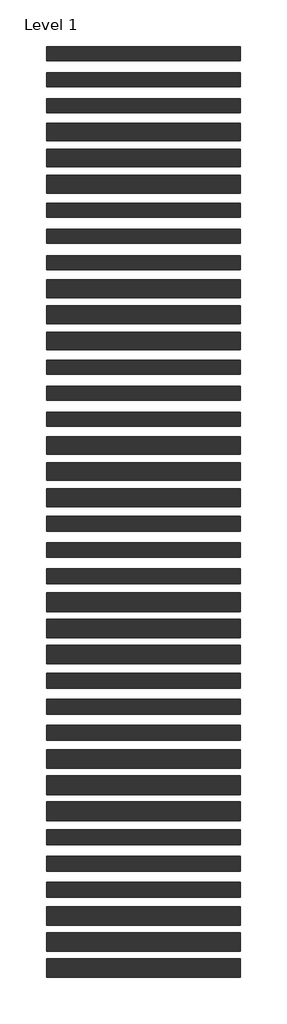
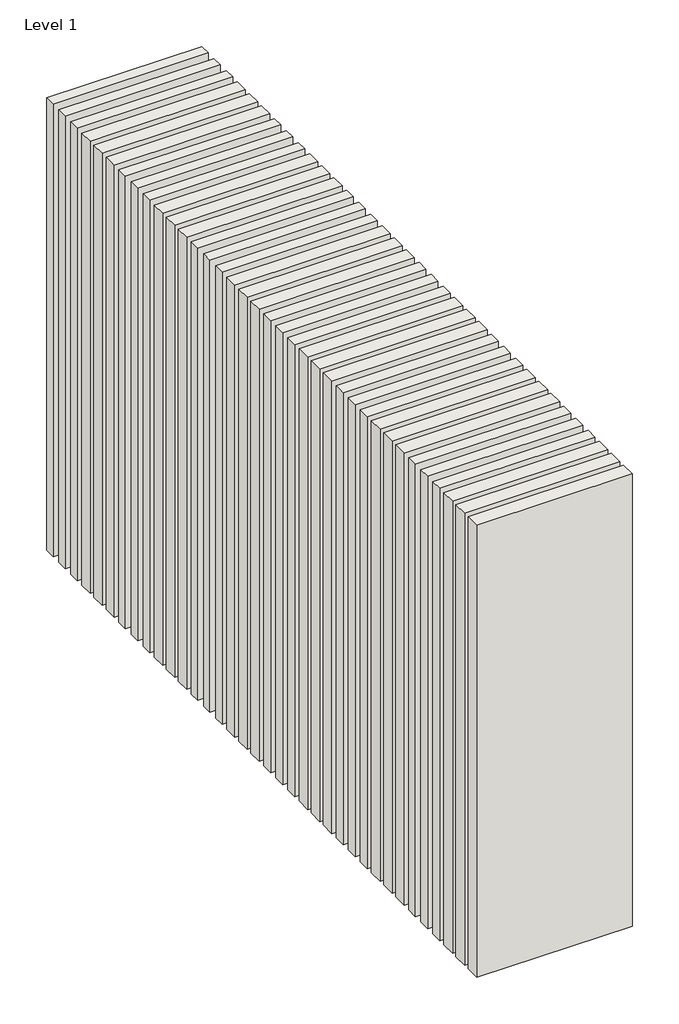
# One storey: 36 walls.
"""IFC4 building model written with IfcOpenShell, lengths in millimetres."""

from ifc_helpers import new_model, si_unit, origin, origin_with_axes, place, context, project, spatial, polyline, outline, extrude, element, save

model = new_model("IFC4")

# Units and contexts
model_context = context("Model", 3, world=origin())
ifc_project = project(units=[si_unit("LENGTHUNIT", "METRE", prefix="MILLI")], contexts=[model_context])

# Site, building, storey
site = spatial("IfcSite", under=ifc_project)
building = spatial("IfcBuilding", under=site)
storey = spatial("IfcBuildingStorey", under=building, Name="Level 1", Elevation=0.0)

# Walls
placement = place(None, origin())
element("IfcWall", 1, at=placement, inside=storey, context=model_context, shape_type="SweptSolid", body=[
    extrude(outline(polyline([(-16904.1464237, 3642.6542935), (-19504.1464237, 3642.6542935), (-19504.1464237, 3830.1542935), (-16904.1464237, 3830.1542935), (-16904.1464237, 3642.6542935)])), origin_with_axes(), (0.0, 0.0, 1.0), 8000.0),
])
element("IfcWall", 2, at=placement, inside=storey, context=model_context, shape_type="SweptSolid", body=[
    extrude(outline(polyline([(-16904.1464237, 3292.6542935), (-19504.1464237, 3292.6542935), (-19504.1464237, 3480.1542935), (-16904.1464237, 3480.1542935), (-16904.1464237, 3292.6542935)])), origin_with_axes(), (0.0, 0.0, 1.0), 8000.0),
])
element("IfcWall", 3, at=placement, inside=storey, context=model_context, shape_type="SweptSolid", body=[
    extrude(outline(polyline([(-16904.1464237, 2942.6542935), (-19504.1464237, 2942.6542935), (-19504.1464237, 3130.1542935), (-16904.1464237, 3130.1542935), (-16904.1464237, 2942.6542935)])), origin_with_axes(), (0.0, 0.0, 1.0), 8000.0),
])
element("IfcWall", 4, at=placement, inside=storey, context=model_context, shape_type="SweptSolid", body=[
    extrude(outline(polyline([(-16904.1464237, 2567.6542935), (-19504.1464237, 2567.6542935), (-19504.1464237, 2805.1542935), (-16904.1464237, 2805.1542935), (-16904.1464237, 2567.6542935)])), origin_with_axes(), (0.0, 0.0, 1.0), 8000.0),
])
element("IfcWall", 5, at=placement, inside=storey, context=model_context, shape_type="SweptSolid", body=[
    extrude(outline(polyline([(-16904.1464237, 2217.6542935), (-19504.1464237, 2217.6542935), (-19504.1464237, 2455.1542935), (-16904.1464237, 2455.1542935), (-16904.1464237, 2217.6542935)])), origin_with_axes(), (0.0, 0.0, 1.0), 8000.0),
])
element("IfcWall", 6, at=placement, inside=storey, context=model_context, shape_type="SweptSolid", body=[
    extrude(outline(polyline([(-16904.1464237, 1867.6542935), (-19504.1464237, 1867.6542935), (-19504.1464237, 2105.1542935), (-16904.1464237, 2105.1542935), (-16904.1464237, 1867.6542935)])), origin_with_axes(), (0.0, 0.0, 1.0), 8000.0),
])
element("IfcWall", 7, at=placement, inside=storey, context=model_context, shape_type="SweptSolid", body=[
    extrude(outline(polyline([(-16904.1464237, 1542.6542935), (-19504.1464237, 1542.6542935), (-19504.1464237, 1730.1542935), (-16904.1464237, 1730.1542935), (-16904.1464237, 1542.6542935)])), origin_with_axes(), (0.0, 0.0, 1.0), 8000.0),
])
element("IfcWall", 8, at=placement, inside=storey, context=model_context, shape_type="SweptSolid", body=[
    extrude(outline(polyline([(-16904.1464237, 1192.6542935), (-19504.1464237, 1192.6542935), (-19504.1464237, 1380.1542935), (-16904.1464237, 1380.1542935), (-16904.1464237, 1192.6542935)])), origin_with_axes(), (0.0, 0.0, 1.0), 8000.0),
])
element("IfcWall", 9, at=placement, inside=storey, context=model_context, shape_type="SweptSolid", body=[
    extrude(outline(polyline([(-16904.1464237, 842.6542935), (-19504.1464237, 842.6542935), (-19504.1464237, 1030.1542935), (-16904.1464237, 1030.1542935), (-16904.1464237, 842.6542935)])), origin_with_axes(), (0.0, 0.0, 1.0), 8000.0),
])
element("IfcWall", 10, at=placement, inside=storey, context=model_context, shape_type="SweptSolid", body=[
    extrude(outline(polyline([(-16904.1464237, 467.6542935), (-19504.1464237, 467.6542935), (-19504.1464237, 705.1542935), (-16904.1464237, 705.1542935), (-16904.1464237, 467.6542935)])), origin_with_axes(), (0.0, 0.0, 1.0), 8000.0),
])
element("IfcWall", 11, at=placement, inside=storey, context=model_context, shape_type="SweptSolid", body=[
    extrude(outline(polyline([(-16904.1464237, 117.6542935), (-19504.1464237, 117.6542935), (-19504.1464237, 355.1542935), (-16904.1464237, 355.1542935), (-16904.1464237, 117.6542935)])), origin_with_axes(), (0.0, 0.0, 1.0), 8000.0),
])
element("IfcWall", 12, at=placement, inside=storey, context=model_context, shape_type="SweptSolid", body=[
    extrude(outline(polyline([(-16904.1464237, -232.3457065), (-19504.1464237, -232.3457065), (-19504.1464237, 5.1542935), (-16904.1464237, 5.1542935), (-16904.1464237, -232.3457065)])), origin_with_axes(), (0.0, 0.0, 1.0), 8000.0),
])
element("IfcWall", 13, at=placement, inside=storey, context=model_context, shape_type="SweptSolid", body=[
    extrude(outline(polyline([(-16904.1464237, -557.3457065), (-19504.1464237, -557.3457065), (-19504.1464237, -369.8457065), (-16904.1464237, -369.8457065), (-16904.1464237, -557.3457065)])), origin_with_axes(), (0.0, 0.0, 1.0), 8000.0),
])
element("IfcWall", 14, at=placement, inside=storey, context=model_context, shape_type="SweptSolid", body=[
    extrude(outline(polyline([(-16904.1464237, -907.3457065), (-19504.1464237, -907.3457065), (-19504.1464237, -719.8457065), (-16904.1464237, -719.8457065), (-16904.1464237, -907.3457065)])), origin_with_axes(), (0.0, 0.0, 1.0), 8000.0),
])
element("IfcWall", 15, at=placement, inside=storey, context=model_context, shape_type="SweptSolid", body=[
    extrude(outline(polyline([(-16904.1464237, -1257.3457065), (-19504.1464237, -1257.3457065), (-19504.1464237, -1069.8457065), (-16904.1464237, -1069.8457065), (-16904.1464237, -1257.3457065)])), origin_with_axes(), (0.0, 0.0, 1.0), 8000.0),
])
element("IfcWall", 16, at=placement, inside=storey, context=model_context, shape_type="SweptSolid", body=[
    extrude(outline(polyline([(-16904.1464237, -1632.3457065), (-19504.1464237, -1632.3457065), (-19504.1464237, -1394.8457065), (-16904.1464237, -1394.8457065), (-16904.1464237, -1632.3457065)])), origin_with_axes(), (0.0, 0.0, 1.0), 8000.0),
])
element("IfcWall", 17, at=placement, inside=storey, context=model_context, shape_type="SweptSolid", body=[
    extrude(outline(polyline([(-16904.1464237, -1982.3457065), (-19504.1464237, -1982.3457065), (-19504.1464237, -1744.8457065), (-16904.1464237, -1744.8457065), (-16904.1464237, -1982.3457065)])), origin_with_axes(), (0.0, 0.0, 1.0), 8000.0),
])
element("IfcWall", 18, at=placement, inside=storey, context=model_context, shape_type="SweptSolid", body=[
    extrude(outline(polyline([(-16904.1464237, -2332.3457065), (-19504.1464237, -2332.3457065), (-19504.1464237, -2094.8457065), (-16904.1464237, -2094.8457065), (-16904.1464237, -2332.3457065)])), origin_with_axes(), (0.0, 0.0, 1.0), 8000.0),
])
element("IfcWall", 19, at=placement, inside=storey, context=model_context, shape_type="SweptSolid", body=[
    extrude(outline(polyline([(-16904.1464237, -2663.5957065), (-19504.1464237, -2663.5957065), (-19504.1464237, -2463.5957065), (-16904.1464237, -2463.5957065), (-16904.1464237, -2663.5957065)])), origin_with_axes(), (0.0, 0.0, 1.0), 8000.0),
])
element("IfcWall", 20, at=placement, inside=storey, context=model_context, shape_type="SweptSolid", body=[
    extrude(outline(polyline([(-16904.1464237, -3013.5957065), (-19504.1464237, -3013.5957065), (-19504.1464237, -2813.5957065), (-16904.1464237, -2813.5957065), (-16904.1464237, -3013.5957065)])), origin_with_axes(), (0.0, 0.0, 1.0), 8000.0),
])
element("IfcWall", 21, at=placement, inside=storey, context=model_context, shape_type="SweptSolid", body=[
    extrude(outline(polyline([(-16904.1464237, -3363.5957065), (-19504.1464237, -3363.5957065), (-19504.1464237, -3163.5957065), (-16904.1464237, -3163.5957065), (-16904.1464237, -3363.5957065)])), origin_with_axes(), (0.0, 0.0, 1.0), 8000.0),
])
element("IfcWall", 22, at=placement, inside=storey, context=model_context, shape_type="SweptSolid", body=[
    extrude(outline(polyline([(-16904.1464237, -3738.5957065), (-19504.1464237, -3738.5957065), (-19504.1464237, -3488.5957065), (-16904.1464237, -3488.5957065), (-16904.1464237, -3738.5957065)])), origin_with_axes(), (0.0, 0.0, 1.0), 8000.0),
])
element("IfcWall", 23, at=placement, inside=storey, context=model_context, shape_type="SweptSolid", body=[
    extrude(outline(polyline([(-16904.1464237, -4088.5957065), (-19504.1464237, -4088.5957065), (-19504.1464237, -3838.5957065), (-16904.1464237, -3838.5957065), (-16904.1464237, -4088.5957065)])), origin_with_axes(), (0.0, 0.0, 1.0), 8000.0),
])
element("IfcWall", 24, at=placement, inside=storey, context=model_context, shape_type="SweptSolid", body=[
    extrude(outline(polyline([(-16904.1464237, -4438.5957065), (-19504.1464237, -4438.5957065), (-19504.1464237, -4188.5957065), (-16904.1464237, -4188.5957065), (-16904.1464237, -4438.5957065)])), origin_with_axes(), (0.0, 0.0, 1.0), 8000.0),
])
element("IfcWall", 25, at=placement, inside=storey, context=model_context, shape_type="SweptSolid", body=[
    extrude(outline(polyline([(-16904.1464237, -4763.5957065), (-19504.1464237, -4763.5957065), (-19504.1464237, -4563.5957065), (-16904.1464237, -4563.5957065), (-16904.1464237, -4763.5957065)])), origin_with_axes(), (0.0, 0.0, 1.0), 8000.0),
])
element("IfcWall", 26, at=placement, inside=storey, context=model_context, shape_type="SweptSolid", body=[
    extrude(outline(polyline([(-16904.1464237, -5113.5957065), (-19504.1464237, -5113.5957065), (-19504.1464237, -4913.5957065), (-16904.1464237, -4913.5957065), (-16904.1464237, -5113.5957065)])), origin_with_axes(), (0.0, 0.0, 1.0), 8000.0),
])
element("IfcWall", 27, at=placement, inside=storey, context=model_context, shape_type="SweptSolid", body=[
    extrude(outline(polyline([(-16904.1464237, -5463.5957065), (-19504.1464237, -5463.5957065), (-19504.1464237, -5263.5957065), (-16904.1464237, -5263.5957065), (-16904.1464237, -5463.5957065)])), origin_with_axes(), (0.0, 0.0, 1.0), 8000.0),
])
element("IfcWall", 28, at=placement, inside=storey, context=model_context, shape_type="SweptSolid", body=[
    extrude(outline(polyline([(-16904.1464237, -5838.5957065), (-19504.1464237, -5838.5957065), (-19504.1464237, -5588.5957065), (-16904.1464237, -5588.5957065), (-16904.1464237, -5838.5957065)])), origin_with_axes(), (0.0, 0.0, 1.0), 8000.0),
])
element("IfcWall", 29, at=placement, inside=storey, context=model_context, shape_type="SweptSolid", body=[
    extrude(outline(polyline([(-16904.1464237, -6188.5957065), (-19504.1464237, -6188.5957065), (-19504.1464237, -5938.5957065), (-16904.1464237, -5938.5957065), (-16904.1464237, -6188.5957065)])), origin_with_axes(), (0.0, 0.0, 1.0), 8000.0),
])
element("IfcWall", 30, at=placement, inside=storey, context=model_context, shape_type="SweptSolid", body=[
    extrude(outline(polyline([(-16904.1464237, -6538.5957065), (-19504.1464237, -6538.5957065), (-19504.1464237, -6288.5957065), (-16904.1464237, -6288.5957065), (-16904.1464237, -6538.5957065)])), origin_with_axes(), (0.0, 0.0, 1.0), 8000.0),
])
element("IfcWall", 31, at=placement, inside=storey, context=model_context, shape_type="SweptSolid", body=[
    extrude(outline(polyline([(-16904.1464237, -6863.5957065), (-19504.1464237, -6863.5957065), (-19504.1464237, -6663.5957065), (-16904.1464237, -6663.5957065), (-16904.1464237, -6863.5957065)])), origin_with_axes(), (0.0, 0.0, 1.0), 8000.0),
])
element("IfcWall", 32, at=placement, inside=storey, context=model_context, shape_type="SweptSolid", body=[
    extrude(outline(polyline([(-16904.1464237, -7213.5957065), (-19504.1464237, -7213.5957065), (-19504.1464237, -7013.5957065), (-16904.1464237, -7013.5957065), (-16904.1464237, -7213.5957065)])), origin_with_axes(), (0.0, 0.0, 1.0), 8000.0),
])
element("IfcWall", 33, at=placement, inside=storey, context=model_context, shape_type="SweptSolid", body=[
    extrude(outline(polyline([(-16904.1464237, -7563.5957065), (-19504.1464237, -7563.5957065), (-19504.1464237, -7363.5957065), (-16904.1464237, -7363.5957065), (-16904.1464237, -7563.5957065)])), origin_with_axes(), (0.0, 0.0, 1.0), 8000.0),
])
element("IfcWall", 34, at=placement, inside=storey, context=model_context, shape_type="SweptSolid", body=[
    extrude(outline(polyline([(-16904.1464237, -7938.5957065), (-19504.1464237, -7938.5957065), (-19504.1464237, -7688.5957065), (-16904.1464237, -7688.5957065), (-16904.1464237, -7938.5957065)])), origin_with_axes(), (0.0, 0.0, 1.0), 8000.0),
])
element("IfcWall", 35, at=placement, inside=storey, context=model_context, shape_type="SweptSolid", body=[
    extrude(outline(polyline([(-16904.1464237, -8288.5957065), (-19504.1464237, -8288.5957065), (-19504.1464237, -8038.5957065), (-16904.1464237, -8038.5957065), (-16904.1464237, -8288.5957065)])), origin_with_axes(), (0.0, 0.0, 1.0), 8000.0),
])
element("IfcWall", 36, at=placement, inside=storey, context=model_context, shape_type="SweptSolid", body=[
    extrude(outline(polyline([(-16904.1464237, -8638.5957065), (-19504.1464237, -8638.5957065), (-19504.1464237, -8388.5957065), (-16904.1464237, -8388.5957065), (-16904.1464237, -8638.5957065)])), origin_with_axes(), (0.0, 0.0, 1.0), 8000.0),
])

save(model, "model.ifc")
